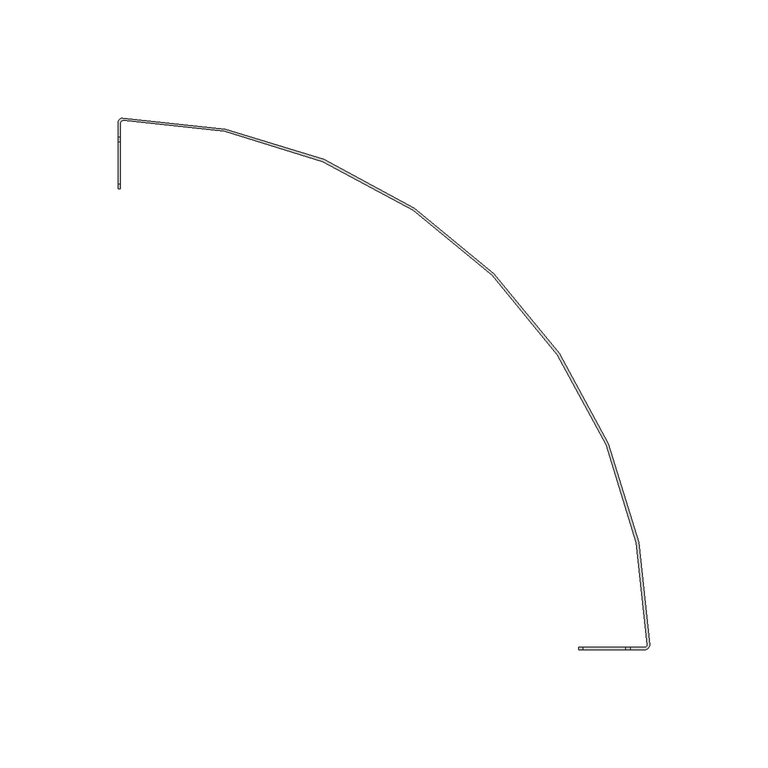
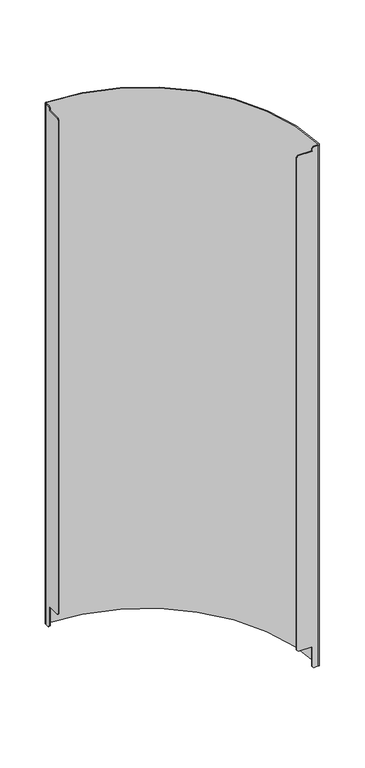
"""IFC4 building model written with IfcOpenShell, lengths in millimetres: proxy geometry."""

from ifc_helpers import new_model, si_unit, frame, origin, place, context, project, spatial, polyline, circle_curve, source, transform, mapped, element, save
from ifc_brep_helpers import plane_surface, cylinder_surface, revolved_surface, advanced_brep


def generic_models_e88090e0(model_context):
    return source(origin(), model_context, "Body", "AdvancedBrep", [
        advanced_brep(
        [(2.0179372, 224.9909508, 0.0), (2.0179372, 224.9909508, 710.0), (224.9909508, 2.0179372, 710.0), (224.9909508, 2.0179372, 0.0), (0.0, 222.9910312, 710.0), (0.0, 217.0, 710.0), (1.0, 217.0, 710.0), (1.0, 222.9910312, 710.0), (2.0089686, 223.990991, 710.0), (223.990991, 2.0089686, 710.0), (222.9910312, 1.0, 710.0), (217.0, 1.0, 710.0), (217.0, 0.0, 710.0), (222.9910312, 0.0, 710.0), (0.0, 222.9910312, 0.0), (223.990991, 2.0089686, 0.0), (2.0089686, 223.990991, 0.0), (1.0, 222.9910312, 0.0), (1.0, 217.0, 0.0), (0.0, 217.0, 0.0), (222.9910312, 0.0, 0.0), (217.0, 0.0, 0.0), (217.0, 1.0, 0.0), (222.9910312, 1.0, 0.0), (0.0, 215.0, 2.0), (0.0, 215.0, 29.0), (0.0, 197.0, 29.0), (0.0, 195.0, 31.0), (0.0, 195.0, 703.0), (0.0, 197.0, 705.0), (0.0, 215.0, 705.0), (0.0, 215.0, 708.0), (215.0, 0.0, 708.0), (215.0, 0.0, 705.0), (197.0, 0.0, 705.0), (195.0, 0.0, 703.0), (195.0, 0.0, 31.0), (197.0, 0.0, 29.0), (215.0, 0.0, 29.0), (215.0, 0.0, 2.0), (1.0, 215.0, 2.0), (1.0, 215.0, 29.0), (1.0, 197.0, 29.0), (1.0, 195.0, 31.0), (1.0, 195.0, 703.0), (1.0, 197.0, 705.0), (1.0, 215.0, 705.0), (1.0, 215.0, 708.0), (215.0, 1.0, 2.0), (215.0, 1.0, 708.0), (215.0, 1.0, 705.0), (197.0, 1.0, 705.0), (195.0, 1.0, 703.0), (195.0, 1.0, 31.0), (197.0, 1.0, 29.0), (215.0, 1.0, 29.0)],
        [
            (0, 1),
            (1, 2, circle_curve(frame((0.0, 0.0, 710.0), z_axis=(0.0, 0.0, -1.0), x_axis=(-1.0, 0.0, 0.0)), 225.0)),
            (2, 3),
            (3, 0, circle_curve(frame((0.0, 0.0, 0.0), z_axis=(0.0, 0.0, 1.0), x_axis=(-1.0, 0.0, 0.0)), 225.0)),
            (1, 4, circle_curve(frame((2.0, 222.9910312, 710.0), z_axis=(0.0, 0.0, 1.0), x_axis=(-1.0, 0.0, 0.0)), 2.0)),
            (4, 5),
            (5, 6),
            (6, 7),
            (7, 8, circle_curve(frame((2.0, 222.9910312, 710.0), z_axis=(0.0, 0.0, -1.0), x_axis=(-1.0, 0.0, 0.0)), 1.0)),
            (8, 9, circle_curve(frame((0.0, 0.0, 710.0), z_axis=(0.0, 0.0, -1.0), x_axis=(-1.0, 0.0, 0.0)), 224.0)),
            (9, 10, circle_curve(frame((222.9910312, 2.0, 710.0), z_axis=(0.0, 0.0, -1.0), x_axis=(0.7102705856820479, -0.703928757130209, 0.0)), 1.0)),
            (10, 11),
            (11, 12),
            (12, 13),
            (13, 2, circle_curve(frame((222.9910312, 2.0, 710.0), z_axis=(0.0, 0.0, 1.0), x_axis=(0.7102705856820556, -0.7039287571302011, 0.0)), 2.0)),
            (14, 4),
            (0, 14, circle_curve(frame((2.0, 222.9910312, 0.0), z_axis=(0.0, 0.0, 1.0), x_axis=(-1.0, 0.0, 0.0)), 2.0)),
            (15, 16, circle_curve(frame((0.0, 0.0, 0.0), z_axis=(0.0, 0.0, 1.0), x_axis=(-1.0, 0.0, 0.0)), 224.0)),
            (16, 17, circle_curve(frame((2.0, 222.9910312, 0.0), z_axis=(0.0, 0.0, 1.0), x_axis=(-1.0, 0.0, 0.0)), 1.0)),
            (17, 18),
            (18, 19),
            (19, 14),
            (3, 20, circle_curve(frame((222.9910312, 2.0, 0.0), z_axis=(0.0, 0.0, -1.0), x_axis=(0.7102705856820556, -0.7039287571302011, 0.0)), 2.0)),
            (20, 21),
            (21, 22),
            (22, 23),
            (23, 15, circle_curve(frame((222.9910312, 2.0, 0.0), z_axis=(0.0, 0.0, 1.0), x_axis=(0.7102705856820479, -0.703928757130209, 0.0)), 1.0)),
            (13, 20),
            (8, 16),
            (15, 9),
            (24, 25),
            (25, 26),
            (26, 27),
            (27, 28),
            (28, 29),
            (29, 30),
            (30, 31),
            (31, 5),
            (19, 24),
            (12, 32),
            (32, 33),
            (33, 34),
            (34, 35),
            (35, 36),
            (36, 37),
            (37, 38),
            (38, 39),
            (39, 21),
            (23, 10),
            (7, 17),
            (18, 40),
            (40, 24),
            (40, 41),
            (41, 25),
            (41, 42),
            (42, 26),
            (42, 43),
            (43, 27),
            (44, 28),
            (43, 44),
            (44, 45),
            (45, 29),
            (45, 46),
            (46, 30),
            (46, 47),
            (47, 31),
            (47, 6),
            (39, 48),
            (48, 22),
            (11, 49),
            (49, 32),
            (49, 50),
            (50, 33),
            (50, 51),
            (51, 34),
            (51, 52),
            (52, 35),
            (52, 53),
            (53, 36),
            (53, 54),
            (54, 37),
            (54, 55),
            (55, 38),
            (55, 48),
        ],
        [
            cylinder_surface(frame((0.0, 0.0, 355.0), z_axis=(0.0, 0.0, -1.0), x_axis=(-1.0, 0.0, 0.0)), 225.0),
            plane_surface(frame((224.9909508, 2.0179372, 710.0), z_axis=(0.0, 0.0, 1.0), x_axis=(1.0, 0.0, 0.0))),
            cylinder_surface(frame((2.0, 222.9910312, 355.0), z_axis=(0.0, 0.0, -1.0), x_axis=(-1.0, 0.0, 0.0)), 2.0),
            plane_surface(frame((223.990991, 2.0089686, 0.0), z_axis=(0.0, 0.0, -1.0), x_axis=(-1.0, 0.0, 0.0))),
            cylinder_surface(frame((222.9910312, 2.0, 355.0), z_axis=(0.0, 0.0, -1.0), x_axis=(0.7102705856820556, -0.7039287571302011, 0.0)), 2.0),
            revolved_surface(polyline([(-224.0, 0.0, 0.0), (-224.0, 0.0, 710.0)]), (0.0, 0.0, 355.0), (0.0, 0.0, -1.0)),
            plane_surface(frame((0.0, 399.2920955, 355.0), z_axis=(-1.0, 0.0, 0.0), x_axis=(0.0, 1.0, 0.0))),
            plane_surface(frame((399.2920954, 0.0, 355.0), z_axis=(-5.12969814825929e-11, -1.0, 0.0), x_axis=(-1.0, 5.12969814825929e-11, 0.0))),
            revolved_surface(polyline([(223.70130178568206, 1.296071242869791, -1.1368683772161603e-13), (223.70130178568206, 1.296071242869791, 710.0000000000001)]), (222.9910312, 2.0, 355.0), (0.0, 0.0, -1.0000000000000002)),
            revolved_surface(polyline([(1.0, 222.9910312, 0.0), (1.0, 222.9910312, 710.0)]), (2.0, 222.9910312, 355.0), (0.0, 0.0, -1.0)),
            plane_surface(frame((0.5, 216.0, 1.0), z_axis=(0.0, -0.7071067811865426, -0.7071067811865526), x_axis=(0.0, 0.7071067811865526, -0.7071067811865426))),
            plane_surface(frame((0.0, 215.0, 0.0), z_axis=(0.0, -1.0, 0.0), x_axis=(0.0, 0.0, 1.0))),
            plane_surface(frame((0.0, 215.0, 29.0), z_axis=(0.0, 0.0, -1.0), x_axis=(0.0, -1.0, 0.0))),
            plane_surface(frame((0.5, 196.0, 30.0), z_axis=(0.0, -0.707106781186557, -0.7071067811865381), x_axis=(0.0, 0.7071067811865381, -0.707106781186557))),
            plane_surface(frame((1.0, 195.0, 710.0), z_axis=(0.0, -1.0, 0.0), x_axis=(0.0, 0.0, -1.0))),
            plane_surface(frame((0.5, 196.0, 704.0), z_axis=(0.0, -0.7071067811865476, 0.7071067811865476), x_axis=(0.0, -0.7071067811865476, -0.7071067811865476))),
            plane_surface(frame((0.0, 195.0, 705.0), z_axis=(0.0, 0.0, 1.0), x_axis=(0.0, 1.0, 0.0))),
            plane_surface(frame((0.0, 215.0, 705.0), z_axis=(0.0, -1.0, 0.0), x_axis=(0.0, 0.0, 1.0))),
            plane_surface(frame((0.5, 216.0, 709.0), z_axis=(0.0, -0.7071067811865291, 0.707106781186566), x_axis=(0.0, -0.707106781186566, -0.7071067811865291))),
            plane_surface(frame((216.0, 0.5, 1.0), z_axis=(-0.707106781186549, 3.6275416165430015e-11, -0.7071067811865461), x_axis=(-0.7071067811865461, 0.0, 0.707106781186549))),
            plane_surface(frame((216.0, 0.5, 709.0), z_axis=(-0.7071067811865291, 3.6275416165429e-11, 0.707106781186566), x_axis=(0.707106781186566, 0.0, 0.7071067811865291))),
            plane_surface(frame((215.0, 0.0, 710.0), z_axis=(-1.0, 5.13011855218792e-11, 0.0), x_axis=(5.13011855218792e-11, 1.0, 0.0))),
            plane_surface(frame((215.0, 0.0, 705.0), z_axis=(0.0, 0.0, 1.0), x_axis=(-1.0, 0.0, 0.0))),
            plane_surface(frame((196.0, 0.5, 704.0), z_axis=(-0.7071067811865476, 3.627277185103567e-11, 0.7071067811865476), x_axis=(0.7071067811865476, 0.0, 0.7071067811865476))),
            plane_surface(frame((195.0, 1.0, 0.0), z_axis=(-1.0, 5.12974458965998e-11, 0.0), x_axis=(-5.12974458965998e-11, -1.0, 0.0))),
            plane_surface(frame((196.0, 0.5, 30.0), z_axis=(-0.707106781186543, 3.62727702540874e-11, -0.707106781186552), x_axis=(-0.707106781186552, 0.0, 0.707106781186543))),
            plane_surface(frame((195.0, 0.0, 29.0), z_axis=(0.0, 0.0, -1.0), x_axis=(0.0, -1.0, 0.0))),
            plane_surface(frame((215.0, 0.0, 29.0), z_axis=(-1.0, 5.13011855218792e-11, 0.0), x_axis=(5.13011855218792e-11, 1.0, 0.0))),
            plane_surface(frame((399.2920954, 1.0, 355.0), z_axis=(5.12969814825929e-11, 1.0, 0.0), x_axis=(-1.0, 5.12969814825929e-11, 0.0))),
            plane_surface(frame((1.0, 399.2920955, 355.0), z_axis=(1.0, 0.0, 0.0), x_axis=(0.0, 1.0, 0.0))),
        ],
        [
            (0, [[1, 2, 3, 4]]),
            (1, [[-2, 5, 6, 7, 8, 9, 10, 11, 12, 13, 14, 15]]),
            (2, [[16, -5, -1, 17]]),
            (3, [[18, 19, 20, 21, 22, -17, -4, 23, 24, 25, 26, 27]]),
            (4, [[-3, -15, 28, -23]]),
            (5, [[-10, 29, -18, 30]]),
            (6, [[31, 32, 33, 34, 35, 36, 37, 38, -6, -16, -22, 39]]),
            (7, [[-24, -28, -14, 40, 41, 42, 43, 44, 45, 46, 47, 48]]),
            (8, [[-11, -30, -27, 49]]),
            (9, [[-9, 50, -19, -29]]),
            (10, [[51, 52, -39, -21]]),
            (11, [[53, 54, -31, -52]]),
            (12, [[-32, -54, 55, 56]]),
            (13, [[-33, -56, 57, 58]]),
            (14, [[59, -34, -58, 60]]),
            (15, [[61, 62, -35, -59]]),
            (16, [[63, 64, -36, -62]]),
            (17, [[-37, -64, 65, 66]]),
            (18, [[-38, -66, 67, -7]]),
            (19, [[-48, 68, 69, -25]]),
            (20, [[70, 71, -40, -13]]),
            (21, [[72, 73, -41, -71]]),
            (22, [[-42, -73, 74, 75]]),
            (23, [[-43, -75, 76, 77]]),
            (24, [[-77, 78, 79, -44]]),
            (25, [[80, 81, -45, -79]]),
            (26, [[82, 83, -46, -81]]),
            (27, [[-47, -83, 84, -68]]),
            (28, [[-49, -26, -69, -84, -82, -80, -78, -76, -74, -72, -70, -12]]),
            (29, [[-55, -53, -51, -20, -50, -8, -67, -65, -63, -61, -60, -57]]),
        ],
    ),
    ])


if __name__ == "__main__":
    model = new_model("IFC4")
    model_context = context("Model", 3, world=origin())
    ifc_project = project(units=[si_unit("LENGTHUNIT", "METRE", prefix="MILLI")], contexts=[model_context])
    site = spatial("IfcSite", under=ifc_project)
    building = spatial("IfcBuilding", under=site)
    placement = place(None, origin())
    generic_models_shape = generic_models_e88090e0(model_context)
    element("IfcBuildingElementProxy", 1, Name="Generic Models", at=placement, inside=building, context=model_context, shape_type="MappedRepresentation", body=[
        mapped(generic_models_shape, transform((0.0, 0.0, 0.0), x_axis=(1.0, 0.0, 0.0), y_axis=(0.0, 1.0, 0.0), z_axis=(0.0, 0.0, 1.0))),
    ])
    save(model, "model.ifc")
